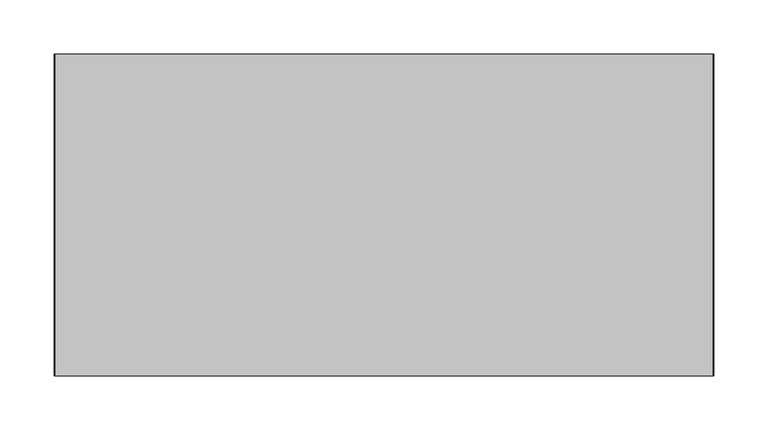
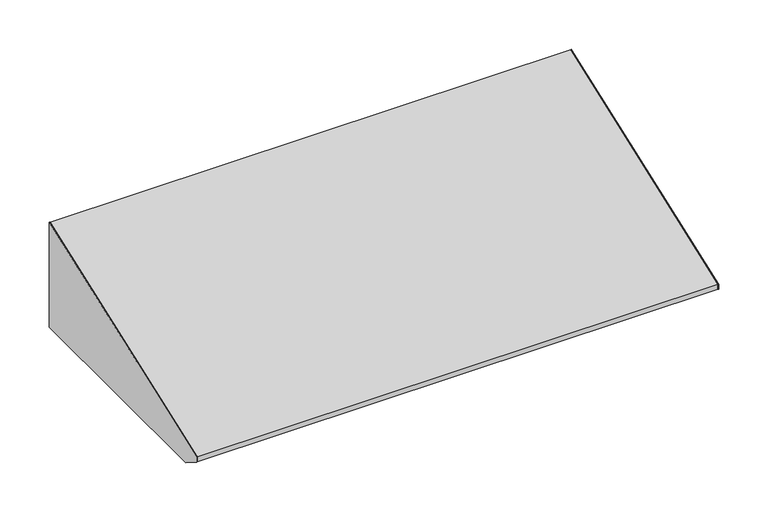
"""IFC4 building model written with IfcOpenShell, lengths in millimetres: furniture geometry."""

from ifc_helpers import new_model, si_unit, frame, origin, place, context, project, spatial, polyline, outline, extrude, source, transform, mapped, element, save


def furniture_f9374c94(model_context):
    return source(origin(), model_context, "Body", "SweptSolid", [
        extrude(outline(polyline([(-21.75256, 2248.7201351), (-21.75256, 2119.3252), (-297.3953187, 2119.3252), (-319.23736, 2133.1563416), (-319.23736, 2139.2785922), (-21.75256, 2248.7201351)])), frame((322.7439549, 0.0, 0.0), z_axis=(1.0, 0.0, 0.0), x_axis=(0.0, 1.0, 0.0)), (0.0, 0.0, 1.0), 0.79375),
        extrude(outline(polyline([(-21.75256, 2119.3252), (-297.3953187, 2119.3252), (-319.23736, 2133.1563416), (-319.23736, 2139.2785922), (-21.75256, 2248.7201351), (-21.75256, 2119.3252)])), frame((-286.0622951, 0.0, 0.0), z_axis=(1.0, 0.0, 0.0), x_axis=(0.0, 1.0, 0.0)), (0.0, 0.0, 1.0), 0.79375),
        extrude(outline(polyline([(304.488502, -284.6953187), (304.488502, -97.8702473), (322.7439549, -97.8702473), (322.7439549, -284.6953187), (304.488502, -284.6953187)])), frame((0.0, 0.0, 2119.3252), z_axis=(0.0, 0.0, 1.0), x_axis=(1.0, 0.0, 0.0)), (0.0, 0.0, 1.0), 0.79375),
        extrude(outline(polyline([(-21.75256, 2119.3252), (-97.5295544, 2119.3252), (-97.5295544, 2120.11895), (-22.54631, 2120.11895), (-22.54631, 2234.2104789), (-21.75256, 2234.2104789), (-21.75256, 2119.3252)])), frame((312.1081836, 0.0, 0.0), z_axis=(1.0, 0.0, 0.0), x_axis=(0.0, 1.0, 0.0)), (0.0, 0.0, 1.0), 10.6357713),
        extrude(outline(polyline([(-21.75256, 2119.3252), (-97.5295544, 2119.3252), (-97.5295544, 2120.11895), (-22.54631, 2120.11895), (-22.54631, 2234.2104789), (-21.75256, 2234.2104789), (-21.75256, 2119.3252)])), frame((-285.2685451, 0.0, 0.0), z_axis=(1.0, 0.0, 0.0), x_axis=(0.0, 1.0, 0.0)), (0.0, 0.0, 1.0), 10.6357713),
        extrude(outline(polyline([(-285.2685451, -284.6953187), (-285.2685451, -97.8702473), (-267.0130922, -97.8702473), (-267.0130922, -284.6953187), (-285.2685451, -284.6953187)])), frame((0.0, 0.0, 2119.3252), z_axis=(0.0, 0.0, 1.0), x_axis=(1.0, 0.0, 0.0)), (0.0, 0.0, 1.0), 0.79375),
        extrude(outline(polyline([(-319.23736, 2139.2785922), (-21.75256, 2248.7201351), (-21.75256, 2234.2104789), (-22.54631, 2234.2104789), (-22.54631, 2247.5838809), (-318.44361, 2138.7241044), (-318.44361, 2133.5932199), (-221.2358067, 2120.11895), (-284.6953187, 2120.11895), (-284.6953187, 2119.3252), (-297.3953187, 2119.3252), (-319.23736, 2133.1563416), (-319.23736, 2139.2785922)])), frame((-285.2685451, 0.0, 0.0), z_axis=(1.0, 0.0, 0.0), x_axis=(0.0, 1.0, 0.0)), (0.0, 0.0, 1.0), 608.0125),
    ])


if __name__ == "__main__":
    model = new_model("IFC4")
    model_context = context("Model", 3, world=origin())
    ifc_project = project(units=[si_unit("LENGTHUNIT", "METRE", prefix="MILLI")], contexts=[model_context])
    site = spatial("IfcSite", under=ifc_project)
    building = spatial("IfcBuilding", under=site)
    placement = place(None, origin())
    furniture_shape = furniture_f9374c94(model_context)
    element("IfcFurniture", 1, at=placement, inside=building, context=model_context, shape_type="MappedRepresentation", body=[
        mapped(furniture_shape, transform((0.0, 0.0, 0.0), x_axis=(1.0, 0.0, 0.0), y_axis=(0.0, 1.0, 0.0), z_axis=(0.0, 0.0, 1.0))),
    ])
    save(model, "model.ifc")
